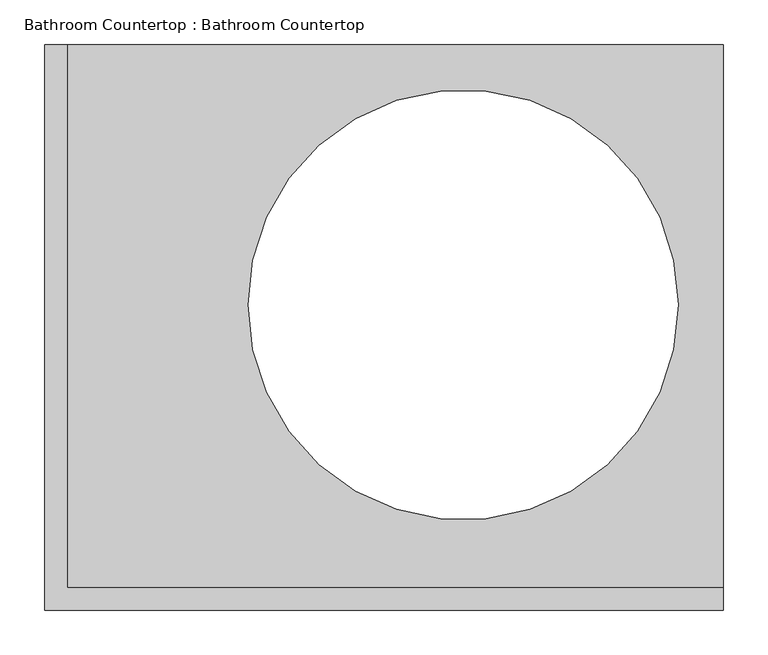
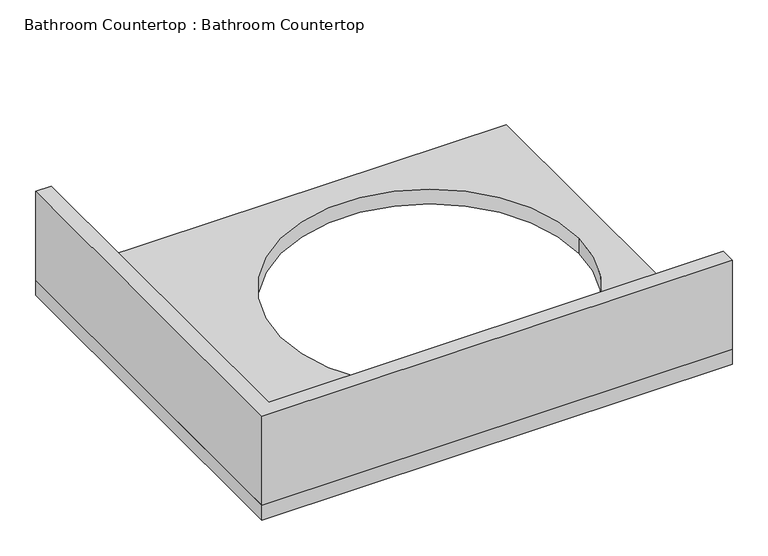
"""IFC4 building model written with IfcOpenShell, lengths in millimetres: proxy geometry, Bathroom Countertop : Bathroom Countertop."""

from ifc_helpers import new_model, si_unit, point, frame, frame_2d, origin, place, context, project, spatial, polyline, circle_curve, trimmed, segment, composite_curve, outline, extrude, source, transform, mapped, element, save


def bathroom_countertop_bathroom_countertop_3c9a3acf(model_context):
    return source(origin(), model_context, "Body", "SweptSolid", [
        extrude(outline(polyline([(-381.0, 47.9069568), (-381.0, 682.9069568), (-355.6, 682.9069568), (-355.6, 73.3069568), (381.0, 73.3069568), (381.0, 47.9069568), (-381.0, 47.9069568)])), frame((0.0, 0.0, 914.4), z_axis=(0.0, 0.0, 1.0), x_axis=(1.0, 0.0, 0.0)), (0.0, 0.0, 1.0), 152.4),
        extrude(outline(polyline([(-381.0, 682.9069568), (381.0, 682.9069568), (381.0, 47.9069568), (-381.0, 47.9069568), (-381.0, 682.9069568)]), holes=[composite_curve([segment(trimmed(circle_curve(frame_2d((88.9, 390.8069568)), 241.3), [point((-152.4, 390.8069568))], [point((330.2, 390.8069568))], True, "CARTESIAN"), True, "CONTINUOUS"), segment(trimmed(circle_curve(frame_2d((88.9, 390.8069568)), 241.3), [point((330.2, 390.8069568))], [point((-152.4, 390.8069568))], True, "CARTESIAN"), True, "CONTINUOUS")], self_intersect=False)]), frame((0.0, 0.0, 889.0), z_axis=(0.0, 0.0, 1.0), x_axis=(1.0, 0.0, 0.0)), (0.0, 0.0, 1.0), 25.4),
    ])


if __name__ == "__main__":
    model = new_model("IFC4")
    model_context = context("Model", 3, world=origin())
    ifc_project = project(units=[si_unit("LENGTHUNIT", "METRE", prefix="MILLI")], contexts=[model_context])
    site = spatial("IfcSite", under=ifc_project)
    building = spatial("IfcBuilding", under=site)
    placement = place(None, origin())
    bathroom_countertop_bathroom_countertop_shape = bathroom_countertop_bathroom_countertop_3c9a3acf(model_context)
    element("IfcBuildingElementProxy", 1, Name="Bathroom Countertop : Bathroom Countertop", ObjectType="Bathroom Countertop : Bathroom Countertop", at=placement, inside=building, context=model_context, shape_type="MappedRepresentation", body=[
        mapped(bathroom_countertop_bathroom_countertop_shape, transform((0.0, 0.0, 0.0), x_axis=(1.0, 0.0, 0.0), y_axis=(0.0, 1.0, 0.0), z_axis=(0.0, 0.0, 1.0))),
    ])
    save(model, "model.ifc")
